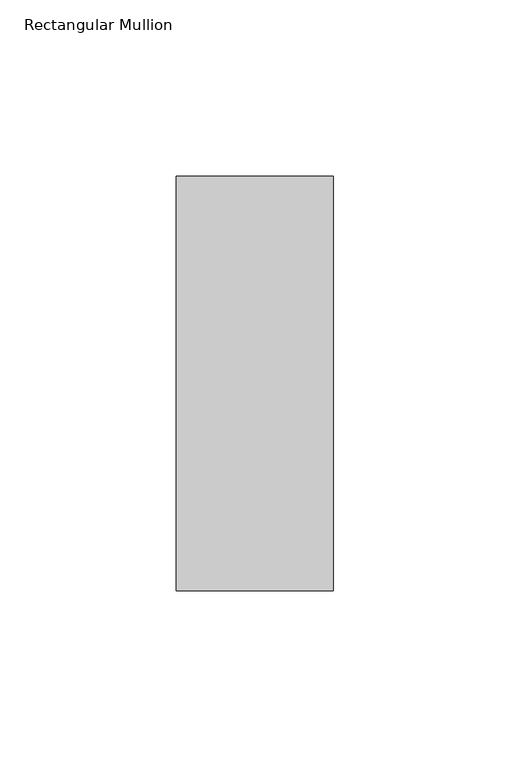
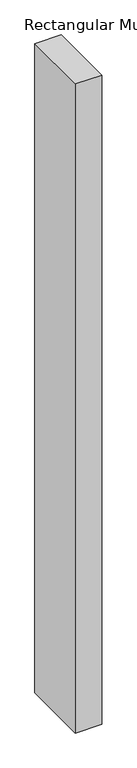
"""IFC4 building model written with IfcOpenShell, lengths in millimetres: member geometry, Rectangular Mullion."""

import ifcopenshell
import ifcopenshell.guid

model = None  # the IFC model being written
_history = None  # IfcOwnerHistory: only IFC2X3 demands one
_inside = {}  # id of a spatial element -> (the spatial element, [elements in it])
_under = {}  # id of a project, library or spatial element -> (it, [spatial elements below it])
_declared = {}  # id of a project -> (the project, [libraries it declares])
_typed = {}  # id of a type object -> (the type object, [elements of that type])
_made_of = {}  # id of a material, layer set ... -> (it, [elements and type objects made of it])


def new_model(schema):
    """Start an empty IFC model of exactly this schema.

    Asked for "IFC4X3", IfcOpenShell would pick the latest addendum, in which some entities
    have other attributes; the version numbers below select the first issue.
    IFC2X3 requires an IfcOwnerHistory on every rooted entity: one is made here for all.
    """
    global model, _history
    if schema == "IFC4X3":
        model = ifcopenshell.file(schema_version=(4, 3, 0, 0))
    else:
        model = ifcopenshell.file(schema=schema)
    _inside.clear()
    _under.clear()
    _declared.clear()
    _typed.clear()
    _made_of.clear()
    _history = None
    if model.schema == "IFC2X3":
        org = make("IfcOrganization", Name="unknown")
        user = make(
            "IfcPersonAndOrganization",
            ThePerson=make("IfcPerson", FamilyName="unknown"),
            TheOrganization=org,
        )
        app = make(
            "IfcApplication",
            ApplicationDeveloper=org,
            Version="unknown",
            ApplicationFullName="unknown",
            ApplicationIdentifier="unknown",
        )
        _history = make(
            "IfcOwnerHistory",
            OwningUser=user,
            OwningApplication=app,
            ChangeAction="ADDED",
            CreationDate=0,
        )
    return model


def make(cls, **values):
    """One entity of the class cls with the attributes given. An attribute that is None is left unset."""
    return model.create_entity(
        cls, **{name: value for name, value in values.items() if value is not None}
    )


def rooted(cls, **values):
    """An entity with a GlobalId (a new one), such as an element, a storey or a relation."""
    return make(cls, GlobalId=ifcopenshell.guid.new(), OwnerHistory=_history, **values)


def si_unit(unit_type, name, prefix=None):
    """IfcSIUnit, for example si_unit("LENGTHUNIT", "METRE", prefix="MILLI")."""
    return make("IfcSIUnit", UnitType=unit_type, Prefix=prefix, Name=name)


def assignment(units):
    """IfcUnitAssignment: the units of a project."""
    return None if units is None else make("IfcUnitAssignment", Units=units)


def point(xyz):
    """IfcCartesianPoint."""
    return None if xyz is None else make("IfcCartesianPoint", Coordinates=xyz)


def direction(xyz):
    """IfcDirection."""
    return None if xyz is None else make("IfcDirection", DirectionRatios=xyz)


def frame(location, z_axis=None, x_axis=None):
    """IfcAxis2Placement3D, a coordinate frame: its origin and axes. An axis left out is left unset."""
    return make(
        "IfcAxis2Placement3D",
        Location=point(location),
        Axis=direction(z_axis),
        RefDirection=direction(x_axis),
    )


def origin():
    """The frame at (0, 0, 0) with its axes left unset."""
    return frame((0.0, 0.0, 0.0))


def place(relative_to, where):
    """IfcLocalPlacement: puts the frame where relative to a parent placement (None: the world)."""
    return make(
        "IfcLocalPlacement", PlacementRelTo=relative_to, RelativePlacement=where
    )


def context(
    kind, dimensions, precision=None, world=None, true_north=None, identifier=None
):
    """IfcGeometricRepresentationContext, for example the 3D "Model" context."""
    return make(
        "IfcGeometricRepresentationContext",
        ContextIdentifier=identifier,
        ContextType=kind,
        CoordinateSpaceDimension=dimensions,
        Precision=precision,
        WorldCoordinateSystem=world,
        TrueNorth=true_north,
    )


def project(units=None, contexts=None):
    """IfcProject with its units and contexts."""
    return rooted(
        "IfcProject",
        Name="project",
        RepresentationContexts=contexts,
        UnitsInContext=assignment(units),
    )


def spatial(cls, under=None, at=None, **own):
    """A site, building, storey or space (cls), placed at a placement, below another one or the project."""
    s = rooted(cls, ObjectPlacement=at, **own)
    if under is not None:
        _under.setdefault(under.id(), (under, []))[1].append(s)
    return s


def polyline(points):
    """IfcPolyline through the points."""
    return make("IfcPolyline", Points=[point(p) for p in points])


def outline(outer, holes=None, kind="AREA"):
    """IfcArbitraryClosedProfileDef: a profile drawn as a closed curve; with holes, ...WithVoids."""
    if holes is None:
        return make("IfcArbitraryClosedProfileDef", ProfileType=kind, OuterCurve=outer)
    return make(
        "IfcArbitraryProfileDefWithVoids",
        ProfileType=kind,
        OuterCurve=outer,
        InnerCurves=holes,
    )


def extrude(swept, where, along, depth):
    """IfcExtrudedAreaSolid: the profile swept, set in the frame where, extruded along a direction by depth."""
    return make(
        "IfcExtrudedAreaSolid",
        SweptArea=swept,
        Position=where,
        ExtrudedDirection=direction(along),
        Depth=depth,
    )


def shape(context_of_items, identifier, shape_type, items):
    """IfcShapeRepresentation: the items that make up one representation, for example the "Body"."""
    return make(
        "IfcShapeRepresentation",
        ContextOfItems=context_of_items,
        RepresentationIdentifier=identifier,
        RepresentationType=shape_type,
        Items=items,
    )


def source(mapping_origin, context_of_items, identifier, shape_type, items):
    """IfcRepresentationMap: a shape defined once, which mapped items show again and again."""
    return make(
        "IfcRepresentationMap",
        MappingOrigin=mapping_origin,
        MappedRepresentation=shape(context_of_items, identifier, shape_type, items),
    )


def transform(
    local_origin,
    x_axis=None,
    y_axis=None,
    z_axis=None,
    scale=None,
    scale2=None,
    scale3=None,
    uniform=True,
):
    """IfcCartesianTransformationOperator3D, or its non-uniform kind. x_axis, y_axis, z_axis: its Axis1, 2, 3."""
    if uniform:
        return make(
            "IfcCartesianTransformationOperator3D",
            Axis1=direction(x_axis),
            Axis2=direction(y_axis),
            LocalOrigin=point(local_origin),
            Scale=scale,
            Axis3=direction(z_axis),
        )
    return make(
        "IfcCartesianTransformationOperator3DnonUniform",
        Axis1=direction(x_axis),
        Axis2=direction(y_axis),
        LocalOrigin=point(local_origin),
        Scale=scale,
        Axis3=direction(z_axis),
        Scale2=scale2,
        Scale3=scale3,
    )


def mapped(mapping_source, mapping_target):
    """IfcMappedItem: shows the shape of a source again, moved by a transform."""
    return make(
        "IfcMappedItem", MappingSource=mapping_source, MappingTarget=mapping_target
    )


def made_of(thing, what):
    """Note that an element or type object is made of a material, layer set ...; save() writes the relation."""
    if what is not None:
        _made_of.setdefault(what.id(), (what, []))[1].append(thing)
    return thing


def element(
    cls,
    number,
    at=None,
    inside=None,
    cuts=None,
    type_object=None,
    material=None,
    context=None,
    identifier="Body",
    shape_type=None,
    held_by="IfcProductDefinitionShape",
    body=None,
    shapes=None,
    **own,
):
    """One element of the class cls, such as IfcWall. Its Tag is "e" and its number.

    at: its placement. inside: the storey or other place that contains it. cuts: it is an
    opening in that element (IfcRelVoidsElement). A single representation is given by context,
    identifier, shape_type and body (its items); several are given by shapes. held_by: the class
    of the entity that holds the representations. save() writes the other relations.
    """
    e = rooted(cls, Tag="e%d" % number, ObjectPlacement=at, **own)
    if body is not None:
        shapes = [shape(context, identifier, shape_type, body)]
    if shapes is not None:
        e.Representation = make(held_by, Representations=shapes)
    if inside is not None:
        _inside.setdefault(inside.id(), (inside, []))[1].append(e)
    if cuts is not None:
        rooted(
            "IfcRelVoidsElement", RelatingBuildingElement=cuts, RelatedOpeningElement=e
        )
    if type_object is not None:
        _typed.setdefault(type_object.id(), (type_object, []))[1].append(e)
    return made_of(e, material)


def aggregate(whole, parts):
    """IfcRelAggregates: a whole, such as a stair, and the parts it consists of."""
    return rooted("IfcRelAggregates", RelatingObject=whole, RelatedObjects=parts)


def save(model, path):
    """Write the relations noted so far, then the file.

    IfcRelAggregates (storeys below a building ...), IfcRelContainedInSpatialStructure (elements
    in a storey), IfcRelDefinesByType, IfcRelAssociatesMaterial and IfcRelDeclares: one each for
    every whole, place, type object, material and project.
    """
    for whole, parts in _under.values():
        aggregate(whole, parts)
    for where, things in _inside.values():
        rooted(
            "IfcRelContainedInSpatialStructure",
            RelatedElements=things,
            RelatingStructure=where,
        )
    for kind, things in _typed.values():
        rooted("IfcRelDefinesByType", RelatedObjects=things, RelatingType=kind)
    for what, things in _made_of.values():
        rooted("IfcRelAssociatesMaterial", RelatedObjects=things, RelatingMaterial=what)
    for by, libraries in _declared.values():
        rooted("IfcRelDeclares", RelatingContext=by, RelatedDefinitions=libraries)
    model.write(path)


def rectangular_mullion_2783a669(model_context):
    return source(origin(), model_context, "Body", "SweptSolid", [
        extrude(outline(polyline([(-44.45, 57.1464454), (0.0, 57.1464454), (0.0, -60.3203935), (-44.45, -60.3203935), (-44.45, 57.1464454)])), frame((0.0, 0.0, -1152.525), z_axis=(0.0, 0.0, 1.0), x_axis=(1.0, 0.0, 0.0)), (0.0, 0.0, 1.0), 1152.525),
    ])


if __name__ == "__main__":
    model = new_model("IFC4")
    model_context = context("Model", 3, world=origin())
    ifc_project = project(units=[si_unit("LENGTHUNIT", "METRE", prefix="MILLI")], contexts=[model_context])
    site = spatial("IfcSite", under=ifc_project)
    building = spatial("IfcBuilding", under=site)
    placement = place(None, origin())
    rectangular_mullion_shape = rectangular_mullion_2783a669(model_context)
    element("IfcMember", 1, ObjectType="Rectangular Mullion", at=placement, inside=building, context=model_context, shape_type="MappedRepresentation", body=[
        mapped(rectangular_mullion_shape, transform((0.0, 0.0, 0.0), x_axis=(1.0, 0.0, 0.0), y_axis=(0.0, 1.0, 0.0), z_axis=(0.0, 0.0, 1.0))),
    ])
    save(model, "model.ifc")
